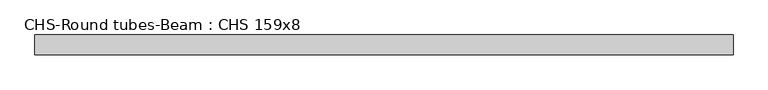
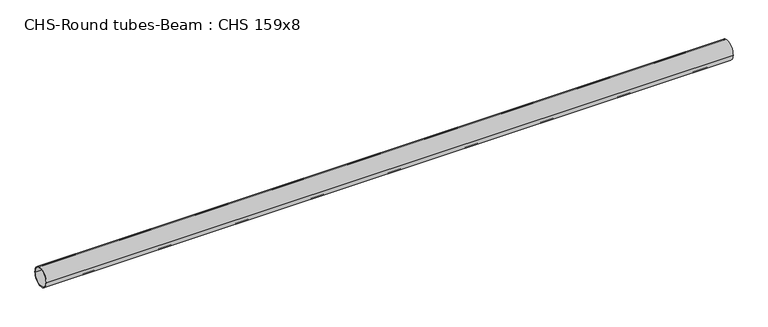
"""IFC4 building model written with IfcOpenShell, lengths in millimetres: beam geometry, CHS-Round tubes-Beam : CHS 159x8."""

from ifc_helpers import new_model, si_unit, point, frame, origin, origin_2d, place, context, project, spatial, circle_curve, trimmed, segment, composite_curve, outline, extrude, source, transform, mapped, element, save


def chs_round_tubes_beam_chs_159x8_3daf5d8c(model_context):
    return source(origin(), model_context, "Body", "SweptSolid", [
        extrude(outline(composite_curve([segment(trimmed(circle_curve(origin_2d(), 79.5), [point((79.5, 0.0))], [point((-79.5, 0.0))], False, "CARTESIAN"), True, "CONTINUOUS"), segment(trimmed(circle_curve(origin_2d(), 79.5), [point((-79.5, 0.0))], [point((79.5, 0.0))], False, "CARTESIAN"), True, "CONTINUOUS")], self_intersect=False), holes=[composite_curve([segment(trimmed(circle_curve(origin_2d(), 71.5), [point((71.5, 0.0))], [point((-71.5, 0.0))], True, "CARTESIAN"), True, "CONTINUOUS"), segment(trimmed(circle_curve(origin_2d(), 71.5), [point((-71.5, 0.0))], [point((71.5, 0.0))], True, "CARTESIAN"), True, "CONTINUOUS")], self_intersect=False)]), frame((-2815.0112544, 0.0, 0.0), z_axis=(1.0, 0.0, 0.0), x_axis=(0.0, 1.0, 0.0)), (0.0, 0.0, 1.0), 5636.3575148),
    ])


if __name__ == "__main__":
    model = new_model("IFC4")
    model_context = context("Model", 3, world=origin())
    ifc_project = project(units=[si_unit("LENGTHUNIT", "METRE", prefix="MILLI")], contexts=[model_context])
    site = spatial("IfcSite", under=ifc_project)
    building = spatial("IfcBuilding", under=site)
    placement = place(None, origin())
    chs_round_tubes_beam_chs_159x8_shape = chs_round_tubes_beam_chs_159x8_3daf5d8c(model_context)
    element("IfcBeam", 1, ObjectType="CHS-Round tubes-Beam : CHS 159x8", at=placement, inside=building, context=model_context, shape_type="MappedRepresentation", body=[
        mapped(chs_round_tubes_beam_chs_159x8_shape, transform((0.0, 0.0, 0.0), x_axis=(1.0, 0.0, 0.0), y_axis=(0.0, 1.0, 0.0), z_axis=(0.0, 0.0, 1.0))),
    ])
    save(model, "model.ifc")
